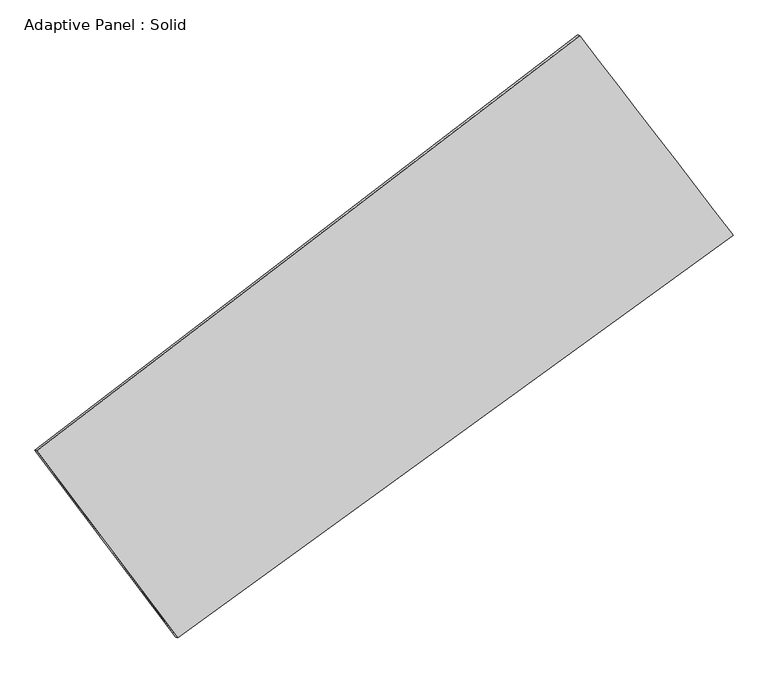
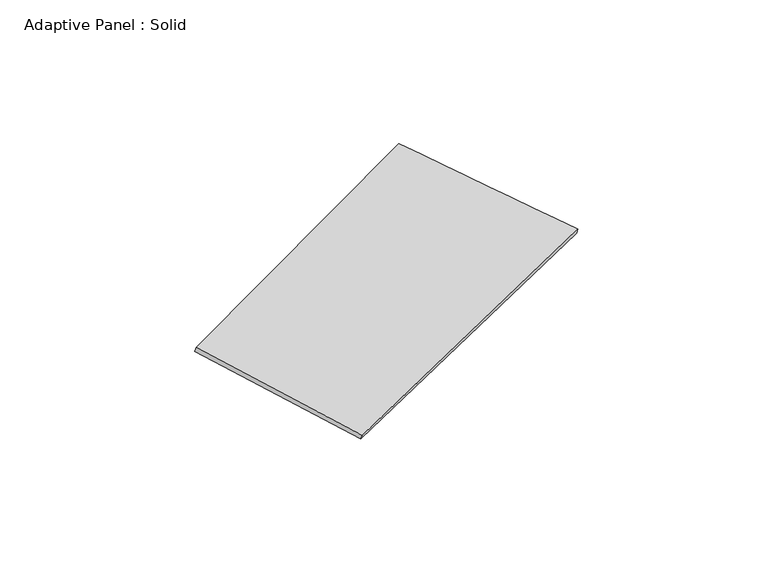
"""IFC4 building model written with IfcOpenShell, lengths in millimetres: plate geometry, Adaptive Panel : Solid."""

import ifcopenshell
import ifcopenshell.guid

model = None  # the IFC model being written
_history = None  # IfcOwnerHistory: only IFC2X3 demands one
_inside = {}  # id of a spatial element -> (the spatial element, [elements in it])
_under = {}  # id of a project, library or spatial element -> (it, [spatial elements below it])
_declared = {}  # id of a project -> (the project, [libraries it declares])
_typed = {}  # id of a type object -> (the type object, [elements of that type])
_made_of = {}  # id of a material, layer set ... -> (it, [elements and type objects made of it])


def new_model(schema):
    """Start an empty IFC model of exactly this schema.

    Asked for "IFC4X3", IfcOpenShell would pick the latest addendum, in which some entities
    have other attributes; the version numbers below select the first issue.
    IFC2X3 requires an IfcOwnerHistory on every rooted entity: one is made here for all.
    """
    global model, _history
    if schema == "IFC4X3":
        model = ifcopenshell.file(schema_version=(4, 3, 0, 0))
    else:
        model = ifcopenshell.file(schema=schema)
    _inside.clear()
    _under.clear()
    _declared.clear()
    _typed.clear()
    _made_of.clear()
    _history = None
    if model.schema == "IFC2X3":
        org = make("IfcOrganization", Name="unknown")
        user = make(
            "IfcPersonAndOrganization",
            ThePerson=make("IfcPerson", FamilyName="unknown"),
            TheOrganization=org,
        )
        app = make(
            "IfcApplication",
            ApplicationDeveloper=org,
            Version="unknown",
            ApplicationFullName="unknown",
            ApplicationIdentifier="unknown",
        )
        _history = make(
            "IfcOwnerHistory",
            OwningUser=user,
            OwningApplication=app,
            ChangeAction="ADDED",
            CreationDate=0,
        )
    return model


def make(cls, **values):
    """One entity of the class cls with the attributes given. An attribute that is None is left unset."""
    return model.create_entity(
        cls, **{name: value for name, value in values.items() if value is not None}
    )


def rooted(cls, **values):
    """An entity with a GlobalId (a new one), such as an element, a storey or a relation."""
    return make(cls, GlobalId=ifcopenshell.guid.new(), OwnerHistory=_history, **values)


def si_unit(unit_type, name, prefix=None):
    """IfcSIUnit, for example si_unit("LENGTHUNIT", "METRE", prefix="MILLI")."""
    return make("IfcSIUnit", UnitType=unit_type, Prefix=prefix, Name=name)


def assignment(units):
    """IfcUnitAssignment: the units of a project."""
    return None if units is None else make("IfcUnitAssignment", Units=units)


def point(xyz):
    """IfcCartesianPoint."""
    return None if xyz is None else make("IfcCartesianPoint", Coordinates=xyz)


def direction(xyz):
    """IfcDirection."""
    return None if xyz is None else make("IfcDirection", DirectionRatios=xyz)


def frame(location, z_axis=None, x_axis=None):
    """IfcAxis2Placement3D, a coordinate frame: its origin and axes. An axis left out is left unset."""
    return make(
        "IfcAxis2Placement3D",
        Location=point(location),
        Axis=direction(z_axis),
        RefDirection=direction(x_axis),
    )


def origin():
    """The frame at (0, 0, 0) with its axes left unset."""
    return frame((0.0, 0.0, 0.0))


def place(relative_to, where):
    """IfcLocalPlacement: puts the frame where relative to a parent placement (None: the world)."""
    return make(
        "IfcLocalPlacement", PlacementRelTo=relative_to, RelativePlacement=where
    )


def context(
    kind, dimensions, precision=None, world=None, true_north=None, identifier=None
):
    """IfcGeometricRepresentationContext, for example the 3D "Model" context."""
    return make(
        "IfcGeometricRepresentationContext",
        ContextIdentifier=identifier,
        ContextType=kind,
        CoordinateSpaceDimension=dimensions,
        Precision=precision,
        WorldCoordinateSystem=world,
        TrueNorth=true_north,
    )


def project(units=None, contexts=None):
    """IfcProject with its units and contexts."""
    return rooted(
        "IfcProject",
        Name="project",
        RepresentationContexts=contexts,
        UnitsInContext=assignment(units),
    )


def spatial(cls, under=None, at=None, **own):
    """A site, building, storey or space (cls), placed at a placement, below another one or the project."""
    s = rooted(cls, ObjectPlacement=at, **own)
    if under is not None:
        _under.setdefault(under.id(), (under, []))[1].append(s)
    return s


def shape(context_of_items, identifier, shape_type, items):
    """IfcShapeRepresentation: the items that make up one representation, for example the "Body"."""
    return make(
        "IfcShapeRepresentation",
        ContextOfItems=context_of_items,
        RepresentationIdentifier=identifier,
        RepresentationType=shape_type,
        Items=items,
    )


def source(mapping_origin, context_of_items, identifier, shape_type, items):
    """IfcRepresentationMap: a shape defined once, which mapped items show again and again."""
    return make(
        "IfcRepresentationMap",
        MappingOrigin=mapping_origin,
        MappedRepresentation=shape(context_of_items, identifier, shape_type, items),
    )


def transform(
    local_origin,
    x_axis=None,
    y_axis=None,
    z_axis=None,
    scale=None,
    scale2=None,
    scale3=None,
    uniform=True,
):
    """IfcCartesianTransformationOperator3D, or its non-uniform kind. x_axis, y_axis, z_axis: its Axis1, 2, 3."""
    if uniform:
        return make(
            "IfcCartesianTransformationOperator3D",
            Axis1=direction(x_axis),
            Axis2=direction(y_axis),
            LocalOrigin=point(local_origin),
            Scale=scale,
            Axis3=direction(z_axis),
        )
    return make(
        "IfcCartesianTransformationOperator3DnonUniform",
        Axis1=direction(x_axis),
        Axis2=direction(y_axis),
        LocalOrigin=point(local_origin),
        Scale=scale,
        Axis3=direction(z_axis),
        Scale2=scale2,
        Scale3=scale3,
    )


def mapped(mapping_source, mapping_target):
    """IfcMappedItem: shows the shape of a source again, moved by a transform."""
    return make(
        "IfcMappedItem", MappingSource=mapping_source, MappingTarget=mapping_target
    )


def made_of(thing, what):
    """Note that an element or type object is made of a material, layer set ...; save() writes the relation."""
    if what is not None:
        _made_of.setdefault(what.id(), (what, []))[1].append(thing)
    return thing


def element(
    cls,
    number,
    at=None,
    inside=None,
    cuts=None,
    type_object=None,
    material=None,
    context=None,
    identifier="Body",
    shape_type=None,
    held_by="IfcProductDefinitionShape",
    body=None,
    shapes=None,
    **own,
):
    """One element of the class cls, such as IfcWall. Its Tag is "e" and its number.

    at: its placement. inside: the storey or other place that contains it. cuts: it is an
    opening in that element (IfcRelVoidsElement). A single representation is given by context,
    identifier, shape_type and body (its items); several are given by shapes. held_by: the class
    of the entity that holds the representations. save() writes the other relations.
    """
    e = rooted(cls, Tag="e%d" % number, ObjectPlacement=at, **own)
    if body is not None:
        shapes = [shape(context, identifier, shape_type, body)]
    if shapes is not None:
        e.Representation = make(held_by, Representations=shapes)
    if inside is not None:
        _inside.setdefault(inside.id(), (inside, []))[1].append(e)
    if cuts is not None:
        rooted(
            "IfcRelVoidsElement", RelatingBuildingElement=cuts, RelatedOpeningElement=e
        )
    if type_object is not None:
        _typed.setdefault(type_object.id(), (type_object, []))[1].append(e)
    return made_of(e, material)


def aggregate(whole, parts):
    """IfcRelAggregates: a whole, such as a stair, and the parts it consists of."""
    return rooted("IfcRelAggregates", RelatingObject=whole, RelatedObjects=parts)


def save(model, path):
    """Write the relations noted so far, then the file.

    IfcRelAggregates (storeys below a building ...), IfcRelContainedInSpatialStructure (elements
    in a storey), IfcRelDefinesByType, IfcRelAssociatesMaterial and IfcRelDeclares: one each for
    every whole, place, type object, material and project.
    """
    for whole, parts in _under.values():
        aggregate(whole, parts)
    for where, things in _inside.values():
        rooted(
            "IfcRelContainedInSpatialStructure",
            RelatedElements=things,
            RelatingStructure=where,
        )
    for kind, things in _typed.values():
        rooted("IfcRelDefinesByType", RelatedObjects=things, RelatingType=kind)
    for what, things in _made_of.values():
        rooted("IfcRelAssociatesMaterial", RelatedObjects=things, RelatingMaterial=what)
    for by, libraries in _declared.values():
        rooted("IfcRelDeclares", RelatingContext=by, RelatedDefinitions=libraries)
    model.write(path)


def plane_surface(at):
    """IfcPlane: the flat surface through the origin of the frame at, square to its z axis."""
    return make("IfcPlane", Position=at)


def spline_surface(u_degree, v_degree, points, u_multiplicities, v_multiplicities, u_knots, v_knots, weights=None):
    """IfcBSplineSurfaceWithKnots; with weights, IfcRationalBSplineSurfaceWithKnots. points: one row for each step in u."""
    own = dict(
        UDegree=u_degree,
        VDegree=v_degree,
        ControlPointsList=[[point(p) for p in row] for row in points],
        SurfaceForm="UNSPECIFIED",
        UClosed=False,
        VClosed=False,
        SelfIntersect=False,
        UMultiplicities=u_multiplicities,
        VMultiplicities=v_multiplicities,
        UKnots=u_knots,
        VKnots=v_knots,
        KnotSpec="UNSPECIFIED",
    )
    if weights is None:
        return make("IfcBSplineSurfaceWithKnots", **own)
    return make("IfcRationalBSplineSurfaceWithKnots", WeightsData=weights, **own)


def advanced_brep(points, edges, surfaces, faces):
    """IfcAdvancedBrep: a solid bounded by faces that lie on surfaces and meet in shared edges.

    An edge is (start, end): straight between two places in points (the first is 0);
    or (start, end, curve); or (start, end, curve, False) where it runs against its curve.
    A face is (place in surfaces, loops), or (place, loops, False) where it looks against
    its surface's normal. A loop lists edges by number (the first is 1), with a minus sign
    where the edge is run from its end to its start. The first loop is the outer one.
    """
    corners = [point(p) for p in points]
    vertices = [make("IfcVertexPoint", VertexGeometry=c) for c in corners]
    made = []
    for start, end, *more in edges:
        made.append(
            make(
                "IfcEdgeCurve",
                EdgeStart=vertices[start],
                EdgeEnd=vertices[end],
                EdgeGeometry=more[0] if more else make("IfcPolyline", Points=[corners[start], corners[end]]),
                SameSense=more[1] if len(more) > 1 else True,
            )
        )
    hull = []
    for where, loops, *sense in faces:
        bounds = []
        for j, loop in enumerate(loops):
            ring = [make("IfcOrientedEdge", EdgeElement=made[abs(k) - 1], Orientation=k > 0) for k in loop]
            bounds.append(
                make(
                    "IfcFaceOuterBound" if j == 0 else "IfcFaceBound",
                    Bound=make("IfcEdgeLoop", EdgeList=ring),
                    Orientation=True,
                )
            )
        hull.append(make("IfcAdvancedFace", Bounds=bounds, FaceSurface=surfaces[where], SameSense=sense[0] if sense else True))
    return make("IfcAdvancedBrep", Outer=make("IfcClosedShell", CfsFaces=hull))


def adaptive_panel_solid_3e02b507(model_context):
    return source(origin(), model_context, "Body", "AdvancedBrep", [
        advanced_brep(
        [(1030.9848696, 2484.67126, 674.1238368), (-3582.6286169, -1042.4803713, 1678.1135517), (-3567.9622611, -1048.8604647, 1725.4864597), (1045.6512254, 2478.2911665, 721.4967449), (-2385.7663823, -2631.5150272, 1041.4117206), (-2371.1000264, -2637.8951207, 1088.7846286), (2334.1195514, 789.0755657, 91.4734111), (2348.7859073, 782.6954722, 138.8463191)],
        [
            (0, 1),
            (1, 2),
            (2, 3),
            (3, 0),
            (1, 4),
            (4, 5),
            (5, 2),
            (4, 6),
            (6, 7),
            (7, 5),
            (6, 0),
            (3, 7),
        ],
        [
            plane_surface(frame((-1275.8218737, 721.0954444, 1176.1186943), z_axis=(-0.5453098345895198, 0.791685551528603, 0.275447221443242), x_axis=(-0.7828208988856215, -0.5984740634502543, 0.17035326719863206))),
            plane_surface(frame((-2984.1974996, -1836.9976993, 1359.7626361), z_axis=(-0.7598938121701647, -0.6324859529757354, 0.15007635894393995), x_axis=(0.5730025513426564, -0.7607566565772862, -0.3048235319461992))),
            plane_surface(frame((-25.8234154, -921.2197308, 566.4425659), z_axis=(0.5282401512027379, -0.804392280021369, -0.27187387241022737), x_axis=(0.7991758578301077, 0.5791778572130054, -0.16084451490698443))),
            plane_surface(frame((1682.5522105, 1636.8734128, 382.798624), z_axis=(0.7585184778808846, 0.6342926736491137, -0.14940723833979813), x_axis=(-0.5879356405234017, 0.7650023857845965, 0.26287455629294537))),
            spline_surface(1, 1, [[(-3567.9622611, -1048.8604647, 1725.4864597), (1045.6512254, 2478.2911665, 721.4967449)], [(-2371.1000264, -2637.8951207, 1088.7846286), (2348.7859073, 782.6954722, 138.8463191)]], [2, 2], [2, 2], [0.0, 1.0], [0.0, 1.0]),
            spline_surface(1, 1, [[(2334.1195514, 789.0755657, 91.4734111), (1030.9848696, 2484.67126, 674.1238368)], [(-2385.7663823, -2631.5150272, 1041.4117206), (-3582.6286169, -1042.4803713, 1678.1135517)]], [2, 2], [2, 2], [0.0, 1.0], [0.0, 1.0]),
        ],
        [
            (0, [[1, 2, 3, 4]]),
            (1, [[5, 6, 7, -2]]),
            (2, [[8, 9, 10, -6]]),
            (3, [[11, -4, 12, -9]]),
            (4, [[-3, -7, -10, -12]]),
            (5, [[-11, -8, -5, -1]]),
        ],
    ),
    ])


if __name__ == "__main__":
    model = new_model("IFC4")
    model_context = context("Model", 3, world=origin())
    ifc_project = project(units=[si_unit("LENGTHUNIT", "METRE", prefix="MILLI")], contexts=[model_context])
    site = spatial("IfcSite", under=ifc_project)
    building = spatial("IfcBuilding", under=site)
    placement = place(None, origin())
    adaptive_panel_solid_shape = adaptive_panel_solid_3e02b507(model_context)
    element("IfcPlate", 1, ObjectType="Adaptive Panel : Solid", at=placement, inside=building, context=model_context, shape_type="MappedRepresentation", body=[
        mapped(adaptive_panel_solid_shape, transform((0.0, 0.0, 0.0), x_axis=(1.0, 0.0, 0.0), y_axis=(0.0, 1.0, 0.0), z_axis=(0.0, 0.0, 1.0))),
    ])
    save(model, "model.ifc")
